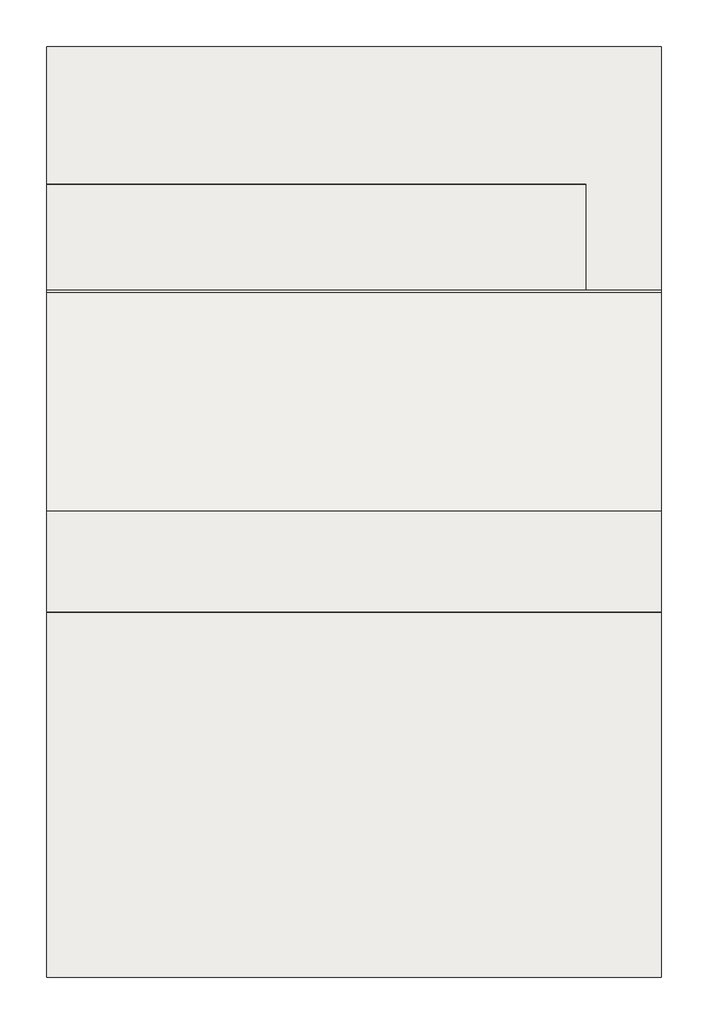
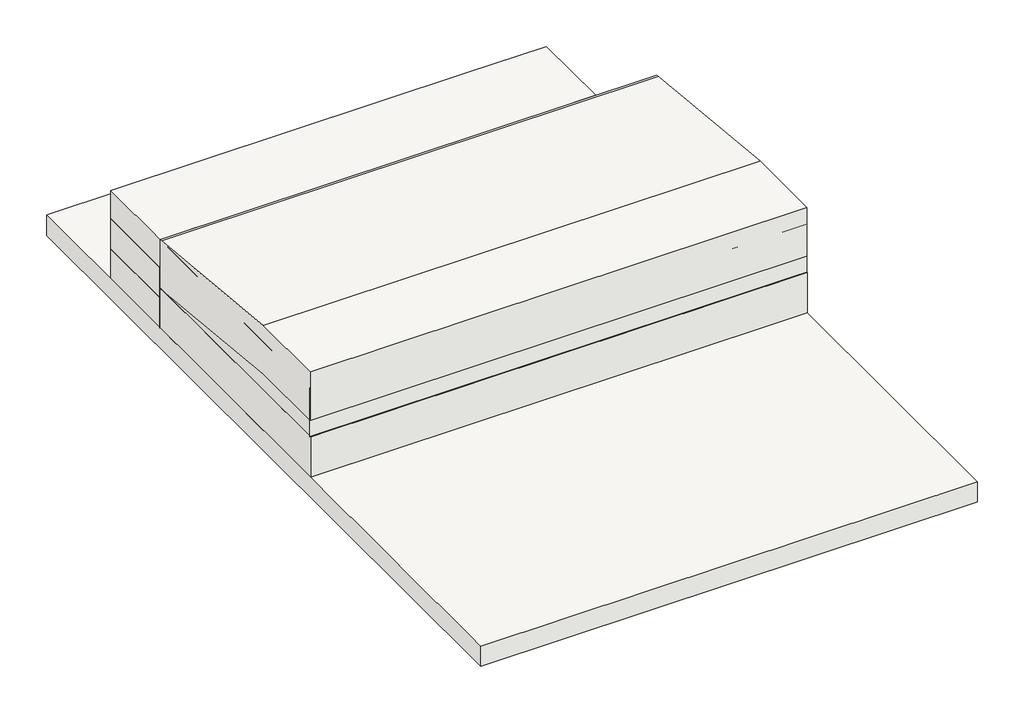
# One storey: 7 slabs.
"""IFC4 building model written with IfcOpenShell, lengths in millimetres."""

from ifc_helpers import new_model, si_unit, frame, origin, place, context, project, spatial, polyline, outline, extrude, faceted_brep, element, save

model = new_model("IFC4")

# Units and contexts
model_context = context("Model", 3, world=origin())
ifc_project = project(units=[si_unit("LENGTHUNIT", "METRE", prefix="MILLI")], contexts=[model_context])

# Site, building, storey
site = spatial("IfcSite", under=ifc_project)
building = spatial("IfcBuilding", under=site)
storey = spatial("IfcBuildingStorey", under=building, Elevation=-2700.0)

# Slabs
placement = place(None, origin())
element("IfcSlab", 1, at=placement, inside=storey, context=model_context, shape_type="SweptSolid", body=[
    extrude(outline(polyline([(1187.339977, -3060.0), (1187.339977, -2698.0), (1757.5641368, -2698.0), (3017.4803319, -2821.8525025), (3017.4803319, -3183.8525025), (1757.5641368, -3060.0), (1187.339977, -3060.0)])), frame((-22914.8994649, 0.0, 0.0), z_axis=(1.0, 0.0, 0.0), x_axis=(0.0, 1.0, 0.0)), (0.0, 0.0, 1.0), 3500.0),
])
element("IfcSlab", 2, at=placement, inside=storey, context=model_context, shape_type="SweptSolid", body=[
    extrude(outline(polyline([(-22914.8994649, 3017.4803319), (-19414.8994649, 3017.4803319), (-19414.8994649, 1182.7561971), (-22914.8994649, 1182.7561971), (-22914.8994649, 3017.4803319)])), frame((0.0, 0.0, -3480.0), z_axis=(0.0, 0.0, 1.0), x_axis=(1.0, 0.0, 0.0)), (0.0, 0.0, 1.0), 300.0),
])
element("IfcSlab", 3, at=placement, inside=storey, context=model_context, shape_type="SweptSolid", body=[
    extrude(outline(polyline([(-22914.8994649, 3017.4803319), (-19414.8994649, 3017.4803319), (-19414.8994649, 1189.2974282), (-22914.8994649, 1189.2974282), (-22914.8994649, 3017.4803319)])), frame((0.0, 0.0, -3182.0), z_axis=(0.0, 0.0, 1.0), x_axis=(1.0, 0.0, 0.0)), (0.0, 0.0, 1.0), 362.0),
])
element("IfcSlab", 4, at=placement, inside=storey, context=model_context, shape_type="SweptSolid", body=[
    extrude(outline(polyline([(-22914.8994649, 3620.4210005), (-19845.8903823, 3620.4210005), (-19845.8903823, 3020.4210005), (-22914.8994649, 3020.4210005), (-22914.8994649, 3620.4210005)])), frame((0.0, 0.0, -3480.0), z_axis=(0.0, 0.0, 1.0), x_axis=(1.0, 0.0, 0.0)), (0.0, 0.0, 1.0), 225.0),
])
element("IfcSlab", 5, at=placement, inside=storey, context=model_context, shape_type="SweptSolid", body=[
    extrude(outline(polyline([(-22914.8994649, 3620.4210005), (-19845.8903823, 3620.4210005), (-19845.8903823, 3020.4210005), (-22914.8994649, 3020.4210005), (-22914.8994649, 3620.4210005)])), frame((0.0, 0.0, -3255.0), z_axis=(0.0, 0.0, 1.0), x_axis=(1.0, 0.0, 0.0)), (0.0, 0.0, 1.0), 225.0),
])
element("IfcSlab", 6, at=placement, inside=storey, context=model_context, shape_type="Brep", body=[
    faceted_brep([(-22914.8994649, 3618.5140022, -3045.0), (-22905.8903823, 3618.5140022, -3045.0), (-20405.8903823, 3618.5140022, -3045.0), (-19845.8903823, 3618.5140022, -3045.0), (-19845.8903823, 3018.5140022, -3045.0), (-20405.8903823, 3018.5140022, -3045.0), (-22905.8903823, 3018.5140022, -3045.0), (-22914.8994649, 3018.5140022, -3045.0), (-22914.8994649, 3618.5140022, -2820.0), (-22914.8994649, 3018.5140022, -2820.0), (-22905.8903823, 3018.5140022, -2820.0), (-20405.8903823, 3018.5140022, -2820.0), (-19845.8903823, 3018.5140022, -2820.0), (-19845.8903823, 3618.5140022, -2820.0), (-20405.8903823, 3618.5140022, -2820.0), (-22905.8903823, 3618.5140022, -2820.0)], [[[0, 1, 2, 3, 4, 5, 6, 7]], [[8, 9, 10, 11, 12, 13, 14, 15]], [[3, 2, 1, 0, 8, 15, 14, 13]], [[4, 3, 13, 12]], [[7, 6, 5, 4, 12, 11, 10, 9]], [[0, 7, 9, 8]]]),
])
element("IfcSlab", 7, at=placement, inside=storey, context=model_context, shape_type="Brep", body=[
    faceted_brep([(-22914.8994649, 4404.4536049, -3630.0), (-19414.8994649, 4404.4536049, -3630.0), (-19414.8994649, -895.5463951, -3630.0), (-22914.8994649, -895.5463951, -3630.0), (-22914.8994649, 4404.4536049, -3480.0), (-22914.8994649, -895.5463951, -3480.0), (-19414.8994649, -895.5463951, -3480.0), (-19414.8994649, 4404.4536049, -3480.0), (-20405.8903823, 4404.4536049, -3480.0), (-22905.8903823, 4404.4536049, -3480.0)], [[[0, 1, 2, 3]], [[4, 5, 6, 7, 8, 9]], [[1, 0, 4, 9, 8, 7]], [[2, 1, 7, 6]], [[3, 2, 6, 5]], [[0, 3, 5, 4]]]),
])

save(model, "model.ifc")
